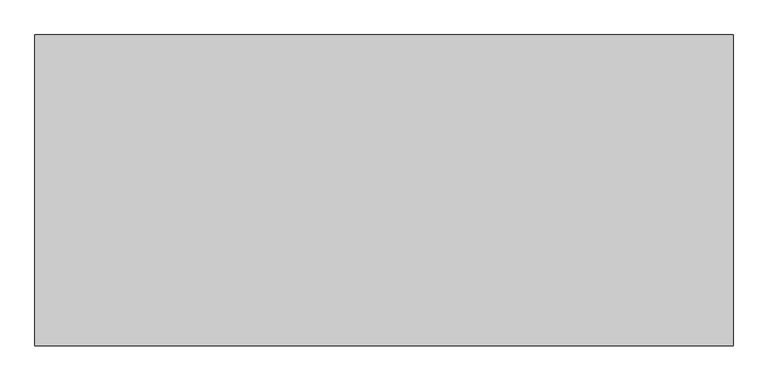
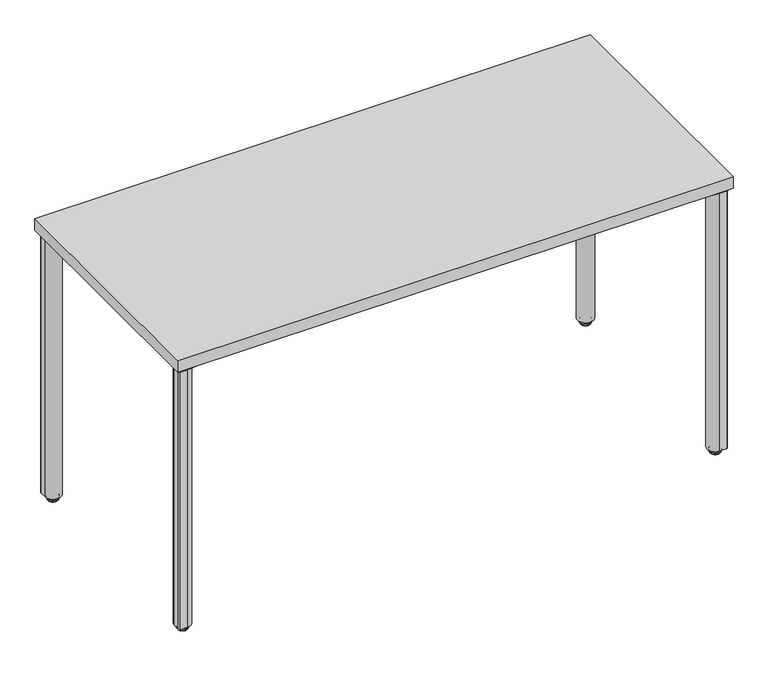
"""IFC4 building model written with IfcOpenShell, lengths in millimetres: furniture geometry."""

import ifcopenshell
import ifcopenshell.guid

model = None  # the IFC model being written
_history = None  # IfcOwnerHistory: only IFC2X3 demands one
_inside = {}  # id of a spatial element -> (the spatial element, [elements in it])
_under = {}  # id of a project, library or spatial element -> (it, [spatial elements below it])
_declared = {}  # id of a project -> (the project, [libraries it declares])
_typed = {}  # id of a type object -> (the type object, [elements of that type])
_made_of = {}  # id of a material, layer set ... -> (it, [elements and type objects made of it])


def new_model(schema):
    """Start an empty IFC model of exactly this schema.

    Asked for "IFC4X3", IfcOpenShell would pick the latest addendum, in which some entities
    have other attributes; the version numbers below select the first issue.
    IFC2X3 requires an IfcOwnerHistory on every rooted entity: one is made here for all.
    """
    global model, _history
    if schema == "IFC4X3":
        model = ifcopenshell.file(schema_version=(4, 3, 0, 0))
    else:
        model = ifcopenshell.file(schema=schema)
    _inside.clear()
    _under.clear()
    _declared.clear()
    _typed.clear()
    _made_of.clear()
    _history = None
    if model.schema == "IFC2X3":
        org = make("IfcOrganization", Name="unknown")
        user = make(
            "IfcPersonAndOrganization",
            ThePerson=make("IfcPerson", FamilyName="unknown"),
            TheOrganization=org,
        )
        app = make(
            "IfcApplication",
            ApplicationDeveloper=org,
            Version="unknown",
            ApplicationFullName="unknown",
            ApplicationIdentifier="unknown",
        )
        _history = make(
            "IfcOwnerHistory",
            OwningUser=user,
            OwningApplication=app,
            ChangeAction="ADDED",
            CreationDate=0,
        )
    return model


def make(cls, **values):
    """One entity of the class cls with the attributes given. An attribute that is None is left unset."""
    return model.create_entity(
        cls, **{name: value for name, value in values.items() if value is not None}
    )


def rooted(cls, **values):
    """An entity with a GlobalId (a new one), such as an element, a storey or a relation."""
    return make(cls, GlobalId=ifcopenshell.guid.new(), OwnerHistory=_history, **values)


def si_unit(unit_type, name, prefix=None):
    """IfcSIUnit, for example si_unit("LENGTHUNIT", "METRE", prefix="MILLI")."""
    return make("IfcSIUnit", UnitType=unit_type, Prefix=prefix, Name=name)


def assignment(units):
    """IfcUnitAssignment: the units of a project."""
    return None if units is None else make("IfcUnitAssignment", Units=units)


def point(xyz):
    """IfcCartesianPoint."""
    return None if xyz is None else make("IfcCartesianPoint", Coordinates=xyz)


def direction(xyz):
    """IfcDirection."""
    return None if xyz is None else make("IfcDirection", DirectionRatios=xyz)


def frame(location, z_axis=None, x_axis=None):
    """IfcAxis2Placement3D, a coordinate frame: its origin and axes. An axis left out is left unset."""
    return make(
        "IfcAxis2Placement3D",
        Location=point(location),
        Axis=direction(z_axis),
        RefDirection=direction(x_axis),
    )


def frame_2d(location, x_axis=None):
    """IfcAxis2Placement2D, a coordinate frame in the plane: its origin and x axis."""
    return make(
        "IfcAxis2Placement2D", Location=point(location), RefDirection=direction(x_axis)
    )


def origin():
    """The frame at (0, 0, 0) with its axes left unset."""
    return frame((0.0, 0.0, 0.0))


def place(relative_to, where):
    """IfcLocalPlacement: puts the frame where relative to a parent placement (None: the world)."""
    return make(
        "IfcLocalPlacement", PlacementRelTo=relative_to, RelativePlacement=where
    )


def context(
    kind, dimensions, precision=None, world=None, true_north=None, identifier=None
):
    """IfcGeometricRepresentationContext, for example the 3D "Model" context."""
    return make(
        "IfcGeometricRepresentationContext",
        ContextIdentifier=identifier,
        ContextType=kind,
        CoordinateSpaceDimension=dimensions,
        Precision=precision,
        WorldCoordinateSystem=world,
        TrueNorth=true_north,
    )


def project(units=None, contexts=None):
    """IfcProject with its units and contexts."""
    return rooted(
        "IfcProject",
        Name="project",
        RepresentationContexts=contexts,
        UnitsInContext=assignment(units),
    )


def spatial(cls, under=None, at=None, **own):
    """A site, building, storey or space (cls), placed at a placement, below another one or the project."""
    s = rooted(cls, ObjectPlacement=at, **own)
    if under is not None:
        _under.setdefault(under.id(), (under, []))[1].append(s)
    return s


def polyline(points):
    """IfcPolyline through the points."""
    return make("IfcPolyline", Points=[point(p) for p in points])


def circle_curve(where, radius):
    """IfcCircle in the frame where."""
    return make("IfcCircle", Position=where, Radius=radius)


def ellipse_curve(where, semi_axis1, semi_axis2):
    """IfcEllipse in the frame where."""
    return make(
        "IfcEllipse", Position=where, SemiAxis1=semi_axis1, SemiAxis2=semi_axis2
    )


def trimmed(basis, trim1, trim2, sense, master):
    """IfcTrimmedCurve: the piece of a basis curve between two trims."""
    return make(
        "IfcTrimmedCurve",
        BasisCurve=basis,
        Trim1=trim1,
        Trim2=trim2,
        SenseAgreement=sense,
        MasterRepresentation=master,
    )


def segment(curve, same_sense, transition):
    """IfcCompositeCurveSegment."""
    return make(
        "IfcCompositeCurveSegment",
        Transition=transition,
        SameSense=same_sense,
        ParentCurve=curve,
    )


def composite_curve(segments, self_intersect=None):
    """IfcCompositeCurve: segments joined end to end."""
    return make("IfcCompositeCurve", Segments=segments, SelfIntersect=self_intersect)


def outline(outer, holes=None, kind="AREA"):
    """IfcArbitraryClosedProfileDef: a profile drawn as a closed curve; with holes, ...WithVoids."""
    if holes is None:
        return make("IfcArbitraryClosedProfileDef", ProfileType=kind, OuterCurve=outer)
    return make(
        "IfcArbitraryProfileDefWithVoids",
        ProfileType=kind,
        OuterCurve=outer,
        InnerCurves=holes,
    )


def extrude(swept, where, along, depth):
    """IfcExtrudedAreaSolid: the profile swept, set in the frame where, extruded along a direction by depth."""
    return make(
        "IfcExtrudedAreaSolid",
        SweptArea=swept,
        Position=where,
        ExtrudedDirection=direction(along),
        Depth=depth,
    )


def shape(context_of_items, identifier, shape_type, items):
    """IfcShapeRepresentation: the items that make up one representation, for example the "Body"."""
    return make(
        "IfcShapeRepresentation",
        ContextOfItems=context_of_items,
        RepresentationIdentifier=identifier,
        RepresentationType=shape_type,
        Items=items,
    )


def source(mapping_origin, context_of_items, identifier, shape_type, items):
    """IfcRepresentationMap: a shape defined once, which mapped items show again and again."""
    return make(
        "IfcRepresentationMap",
        MappingOrigin=mapping_origin,
        MappedRepresentation=shape(context_of_items, identifier, shape_type, items),
    )


def transform(
    local_origin,
    x_axis=None,
    y_axis=None,
    z_axis=None,
    scale=None,
    scale2=None,
    scale3=None,
    uniform=True,
):
    """IfcCartesianTransformationOperator3D, or its non-uniform kind. x_axis, y_axis, z_axis: its Axis1, 2, 3."""
    if uniform:
        return make(
            "IfcCartesianTransformationOperator3D",
            Axis1=direction(x_axis),
            Axis2=direction(y_axis),
            LocalOrigin=point(local_origin),
            Scale=scale,
            Axis3=direction(z_axis),
        )
    return make(
        "IfcCartesianTransformationOperator3DnonUniform",
        Axis1=direction(x_axis),
        Axis2=direction(y_axis),
        LocalOrigin=point(local_origin),
        Scale=scale,
        Axis3=direction(z_axis),
        Scale2=scale2,
        Scale3=scale3,
    )


def mapped(mapping_source, mapping_target):
    """IfcMappedItem: shows the shape of a source again, moved by a transform."""
    return make(
        "IfcMappedItem", MappingSource=mapping_source, MappingTarget=mapping_target
    )


def made_of(thing, what):
    """Note that an element or type object is made of a material, layer set ...; save() writes the relation."""
    if what is not None:
        _made_of.setdefault(what.id(), (what, []))[1].append(thing)
    return thing


def element(
    cls,
    number,
    at=None,
    inside=None,
    cuts=None,
    type_object=None,
    material=None,
    context=None,
    identifier="Body",
    shape_type=None,
    held_by="IfcProductDefinitionShape",
    body=None,
    shapes=None,
    **own,
):
    """One element of the class cls, such as IfcWall. Its Tag is "e" and its number.

    at: its placement. inside: the storey or other place that contains it. cuts: it is an
    opening in that element (IfcRelVoidsElement). A single representation is given by context,
    identifier, shape_type and body (its items); several are given by shapes. held_by: the class
    of the entity that holds the representations. save() writes the other relations.
    """
    e = rooted(cls, Tag="e%d" % number, ObjectPlacement=at, **own)
    if body is not None:
        shapes = [shape(context, identifier, shape_type, body)]
    if shapes is not None:
        e.Representation = make(held_by, Representations=shapes)
    if inside is not None:
        _inside.setdefault(inside.id(), (inside, []))[1].append(e)
    if cuts is not None:
        rooted(
            "IfcRelVoidsElement", RelatingBuildingElement=cuts, RelatedOpeningElement=e
        )
    if type_object is not None:
        _typed.setdefault(type_object.id(), (type_object, []))[1].append(e)
    return made_of(e, material)


def aggregate(whole, parts):
    """IfcRelAggregates: a whole, such as a stair, and the parts it consists of."""
    return rooted("IfcRelAggregates", RelatingObject=whole, RelatedObjects=parts)


def save(model, path):
    """Write the relations noted so far, then the file.

    IfcRelAggregates (storeys below a building ...), IfcRelContainedInSpatialStructure (elements
    in a storey), IfcRelDefinesByType, IfcRelAssociatesMaterial and IfcRelDeclares: one each for
    every whole, place, type object, material and project.
    """
    for whole, parts in _under.values():
        aggregate(whole, parts)
    for where, things in _inside.values():
        rooted(
            "IfcRelContainedInSpatialStructure",
            RelatedElements=things,
            RelatingStructure=where,
        )
    for kind, things in _typed.values():
        rooted("IfcRelDefinesByType", RelatedObjects=things, RelatingType=kind)
    for what, things in _made_of.values():
        rooted("IfcRelAssociatesMaterial", RelatedObjects=things, RelatingMaterial=what)
    for by, libraries in _declared.values():
        rooted("IfcRelDeclares", RelatingContext=by, RelatedDefinitions=libraries)
    model.write(path)


def plane_surface(at):
    """IfcPlane: the flat surface through the origin of the frame at, square to its z axis."""
    return make("IfcPlane", Position=at)


def cylinder_surface(at, radius):
    """IfcCylindricalSurface: all points at the distance radius from the z axis of the frame at."""
    return make("IfcCylindricalSurface", Position=at, Radius=radius)


def revolved_surface(curve, axis_point, axis_direction):
    """IfcSurfaceOfRevolution: the curve turned about the line through axis_point along axis_direction."""
    return make(
        "IfcSurfaceOfRevolution",
        SweptCurve=make("IfcArbitraryOpenProfileDef", ProfileType="CURVE", Curve=curve),
        AxisPosition=make("IfcAxis1Placement", Location=point(axis_point), Axis=direction(axis_direction)),
    )


def advanced_brep(points, edges, surfaces, faces):
    """IfcAdvancedBrep: a solid bounded by faces that lie on surfaces and meet in shared edges.

    An edge is (start, end): straight between two places in points (the first is 0);
    or (start, end, curve); or (start, end, curve, False) where it runs against its curve.
    A face is (place in surfaces, loops), or (place, loops, False) where it looks against
    its surface's normal. A loop lists edges by number (the first is 1), with a minus sign
    where the edge is run from its end to its start. The first loop is the outer one.
    """
    corners = [point(p) for p in points]
    vertices = [make("IfcVertexPoint", VertexGeometry=c) for c in corners]
    made = []
    for start, end, *more in edges:
        made.append(
            make(
                "IfcEdgeCurve",
                EdgeStart=vertices[start],
                EdgeEnd=vertices[end],
                EdgeGeometry=more[0] if more else make("IfcPolyline", Points=[corners[start], corners[end]]),
                SameSense=more[1] if len(more) > 1 else True,
            )
        )
    hull = []
    for where, loops, *sense in faces:
        bounds = []
        for j, loop in enumerate(loops):
            ring = [make("IfcOrientedEdge", EdgeElement=made[abs(k) - 1], Orientation=k > 0) for k in loop]
            bounds.append(
                make(
                    "IfcFaceOuterBound" if j == 0 else "IfcFaceBound",
                    Bound=make("IfcEdgeLoop", EdgeList=ring),
                    Orientation=True,
                )
            )
        hull.append(make("IfcAdvancedFace", Bounds=bounds, FaceSurface=surfaces[where], SameSense=sense[0] if sense else True))
    return make("IfcAdvancedBrep", Outer=make("IfcClosedShell", CfsFaces=hull))


def furniture_f7208d2c(model_context):
    return source(origin(), model_context, "Body", "SolidModel", [
        extrude(outline(composite_curve([segment(polyline([(1339.5282419, -602.3591905), (1264.1488309, -595.7643464)]), True, "CONTINUOUS"), segment(trimmed(circle_curve(frame_2d((1266.3277263, -570.8594586)), 25.0000204), [point((1264.1488309, -595.7643464))], [point((1248.6500399, -588.5371401))], False, "CARTESIAN"), True, "CONTINUOUS"), segment(polyline([(1248.6500399, -588.5371401), (1232.6744349, -572.5615305)]), True, "CONTINUOUS"), segment(trimmed(circle_curve(frame_2d((1250.3520997, -554.8838707)), 24.9999898), [point((1232.6744349, -572.5615305))], [point((1225.4472426, -557.0627657))], False, "CARTESIAN"), True, "CONTINUOUS"), segment(polyline([(1225.4472426, -557.0627657), (1218.9313511, -482.5858634)]), True, "CONTINUOUS"), segment(trimmed(circle_curve(frame_2d((1241.4108747, -482.5858634)), 22.4795236), [point((1218.9313511, -482.5858634))], [point((1241.4108747, -460.1063398))], False, "CARTESIAN"), True, "CONTINUOUS"), segment(polyline([(1241.4108747, -460.1063398), (1315.8877788, -466.6222314)]), True, "CONTINUOUS"), segment(trimmed(circle_curve(frame_2d((1313.7088843, -491.5270836)), 24.9999849), [point((1315.8877788, -466.6222314))], [point((1331.3865419, -473.8494235))], False, "CARTESIAN"), True, "CONTINUOUS"), segment(polyline([(1331.3865419, -473.8494235), (1347.3621588, -489.8250381)]), True, "CONTINUOUS"), segment(trimmed(circle_curve(frame_2d((1329.6844922, -507.5027072)), 24.9999976), [point((1347.3621588, -489.8250381))], [point((1354.5893573, -505.323814))], False, "CARTESIAN"), True, "CONTINUOUS"), segment(polyline([(1354.5893573, -505.323814), (1361.1842007, -580.7032242), (1361.1842007, -599.3591908)]), True, "CONTINUOUS"), segment(trimmed(circle_curve(frame_2d((1358.184201, -599.3591908)), 2.9999997), [point((1361.1842007, -599.3591908))], [point((1358.184201, -602.3591905))], False, "CARTESIAN"), True, "CONTINUOUS"), segment(polyline([(1358.184201, -602.3591905), (1339.5282419, -602.3591905)]), True, "CONTINUOUS")], self_intersect=False)), frame((0.0, 0.0, 686.384201), z_axis=(0.0, 0.0, 1.0), x_axis=(1.0, 0.0, 0.0)), (0.0, 0.0, 1.0), 7.9248),
        advanced_brep(
        [(1340.4342, -577.6130981, 14.6833482), (1340.4342, -585.6053019, 14.6833482), (1340.4342, -581.6092, 14.6833482), (1340.4342, -577.6130981, 12.9644666), (1340.4342, -585.6053019, 12.9644666), (1340.4342, -569.648784, 11.5824174), (1340.4342, -593.569616, 11.5824174), (1340.4342, -569.1277894, 2.659626), (1340.4342, -594.0906106, 2.659626), (1340.4342, -595.8548023, 6.9187598), (1340.4342, -567.3635977, 6.9187598), (1340.4342, -581.6092, 0.0), (1340.4342, -590.2922711, 0.0), (1340.4342, -572.9261289, 0.0)],
        [
            (0, 1, circle_curve(frame((1340.4342, -581.6092, 14.6833482), z_axis=(0.0, 0.0, 1.0), x_axis=(0.0, -1.0, 0.0)), 3.9961019)),
            (1, 2),
            (2, 0),
            (1, 0, circle_curve(frame((1340.4342, -581.6092, 14.6833482), z_axis=(0.0, 0.0, 1.0), x_axis=(0.0, -1.0, 0.0)), 3.9961019)),
            (3, 4, circle_curve(frame((1340.4342, -581.6092, 12.9644666), z_axis=(0.0, 0.0, 1.0), x_axis=(0.0, -1.0, 0.0)), 3.9961019)),
            (4, 1),
            (0, 3),
            (4, 3, circle_curve(frame((1340.4342, -581.6092, 12.9644666), z_axis=(0.0, 0.0, 1.0), x_axis=(0.0, -1.0, 0.0)), 3.9961019)),
            (5, 6, circle_curve(frame((1340.4342, -581.6092, 11.5824174), z_axis=(0.0, 0.0, 1.0), x_axis=(0.0, -1.0, 0.0)), 11.960416)),
            (6, 4),
            (3, 5),
            (6, 5, circle_curve(frame((1340.4342, -581.6092, 11.5824174), z_axis=(0.0, 0.0, 1.0), x_axis=(0.0, -1.0, 0.0)), 11.960416)),
            (7, 8, circle_curve(frame((1340.4342, -581.6092, 2.659626), z_axis=(0.0, 0.0, 1.0), x_axis=(0.0, -1.0, 0.0)), 12.4814106)),
            (8, 9),
            (9, 10, circle_curve(frame((1340.4342, -581.6092, 6.9187598), z_axis=(0.0, 0.0, -1.0), x_axis=(0.0, -1.0, 0.0)), 14.2456023)),
            (10, 7),
            (8, 7, circle_curve(frame((1340.4342, -581.6092, 2.659626), z_axis=(0.0, 0.0, 1.0), x_axis=(0.0, -1.0, 0.0)), 12.4814106)),
            (10, 9, circle_curve(frame((1340.4342, -581.6092, 6.9187598), z_axis=(0.0, 0.0, -1.0), x_axis=(0.0, -1.0, 0.0)), 14.2456023)),
            (11, 12),
            (12, 13, circle_curve(frame((1340.4342, -581.6092, 0.0), z_axis=(0.0, 0.0, -1.0), x_axis=(0.0, -1.0, 0.0)), 8.6830711)),
            (13, 11),
            (13, 12, circle_curve(frame((1340.4342, -581.6092, 0.0), z_axis=(0.0, 0.0, -1.0), x_axis=(0.0, -1.0, 0.0)), 8.6830711)),
            (9, 6, circle_curve(frame((1340.4342, -592.656773, 8.2434275), z_axis=(-1.0, 0.0, 0.0), x_axis=(0.0, -1.0, 0.0)), 3.4615222)),
            (5, 10, circle_curve(frame((1340.4342, -570.561627, 8.2434275), z_axis=(-1.0, 0.0, 0.0), x_axis=(0.0, 1.0, 0.0)), 3.4615222)),
            (12, 8, circle_curve(frame((1340.4342, -590.1040518, 4.3109134), z_axis=(-1.0, 0.0, 0.0), x_axis=(0.0, -1.0, 0.0)), 4.3150204)),
            (7, 13, circle_curve(frame((1340.4342, -573.1143482, 4.3109134), z_axis=(-1.0, 0.0, 0.0), x_axis=(0.0, 1.0, 0.0)), 4.3150204)),
        ],
        [
            plane_surface(frame((1340.4342, -581.6092, 14.6833482), z_axis=(0.0, 0.0, 1.0), x_axis=(0.0, -1.0, 0.0))),
            cylinder_surface(frame((1340.4342, -581.6092, 2438.4), z_axis=(0.0, 0.0, -1.0), x_axis=(0.0, -1.0, 0.0)), 3.9961019),
            revolved_surface(polyline([(1340.4342, -585.6053019, 12.9644666), (1340.4342, -593.569616, 11.5824174)]), (1340.4342, -581.6092, 2438.4), (0.0, 0.0, -1.0)),
            revolved_surface(polyline([(1340.4342, -595.8548023, 6.9187598), (1340.4342, -594.0906106, 2.659626)]), (1340.4342, -581.6092, 2438.4), (0.0, 0.0, -1.0)),
            plane_surface(frame((1340.4342, -581.6092, 0.0), z_axis=(0.0, 0.0, -1.0), x_axis=(0.0, -1.0, 0.0))),
            revolved_surface(trimmed(ellipse_curve(frame((1340.4342, -592.656773, 8.2434275), z_axis=(1.0, 0.0, 0.0), x_axis=(0.0, -1.0, 0.0)), 3.4615222, 3.4615222), [point((1340.4342, -593.569616, 11.5824174))], [point((1340.4342, -595.8548023, 6.9187598))], True, "CARTESIAN"), (1340.4342, -581.6092, 2438.4), (0.0, 0.0, -1.0)),
            revolved_surface(trimmed(ellipse_curve(frame((1340.4342, -590.1040518, 4.3109134), z_axis=(1.0, 0.0, 0.0), x_axis=(0.0, -1.0, 0.0)), 4.3150204, 4.3150204), [point((1340.4342, -594.0906106, 2.659626))], [point((1340.4342, -590.2922711, 0.0))], True, "CARTESIAN"), (1340.4342, -581.6092, 2438.4), (0.0, 0.0, -1.0)),
        ],
        [
            (0, [[1, 2, 3]]),
            (0, [[4, -3, -2]]),
            (1, [[5, 6, -1, 7]]),
            (1, [[8, -7, -4, -6]]),
            (2, [[9, 10, -5, 11]]),
            (2, [[12, -11, -8, -10]]),
            (3, [[13, 14, 15, 16]]),
            (3, [[17, -16, 18, -14]]),
            (4, [[19, 20, 21]]),
            (4, [[-21, 22, -19]]),
            (5, [[-15, 23, -9, 24]]),
            (5, [[-18, -24, -12, -23]]),
            (6, [[-20, 25, -13, 26]]),
            (6, [[-22, -26, -17, -25]]),
        ],
    ),
        extrude(outline(composite_curve([segment(trimmed(circle_curve(frame_2d((1340.4389509, -581.6139401)), 19.9952502), [point((1340.4389509, -601.6091903))], [point((1360.4342011, -581.6139401))], False, "CARTESIAN"), True, "CONTINUOUS"), segment(polyline([(1360.4342011, -581.6139401), (1360.4342011, -598.6089752)]), True, "CONTINUOUS"), segment(trimmed(circle_curve(frame_2d((1357.433986, -598.6089752)), 3.000215), [point((1360.4342011, -598.6089752))], [point((1357.433986, -601.6091903))], False, "CARTESIAN"), True, "CONTINUOUS"), segment(polyline([(1357.433986, -601.6091903), (1340.4389509, -601.6091903)]), True, "CONTINUOUS")], self_intersect=False)), frame((0.0, 0.0, 14.6833482), z_axis=(0.0, 0.0, 1.0), x_axis=(1.0, 0.0, 0.0)), (0.0, 0.0, 1.0), 671.7008528),
        extrude(outline(composite_curve([segment(polyline([(28.8967581, -602.3591905), (10.240799, -602.3591905)]), True, "CONTINUOUS"), segment(trimmed(circle_curve(frame_2d((10.240799, -599.3591908)), 2.9999997), [point((10.240799, -602.3591905))], [point((7.2407993, -599.3591908))], False, "CARTESIAN"), True, "CONTINUOUS"), segment(polyline([(7.2407993, -599.3591908), (7.2407993, -580.7032242), (13.8356427, -505.323814)]), True, "CONTINUOUS"), segment(trimmed(circle_curve(frame_2d((38.7405078, -507.5027072)), 24.9999976), [point((13.8356427, -505.323814))], [point((21.0628412, -489.8250381))], False, "CARTESIAN"), True, "CONTINUOUS"), segment(polyline([(21.0628412, -489.8250381), (37.0384581, -473.8494235)]), True, "CONTINUOUS"), segment(trimmed(circle_curve(frame_2d((54.7161157, -491.5270836)), 24.9999849), [point((37.0384581, -473.8494235))], [point((52.5372212, -466.6222314))], False, "CARTESIAN"), True, "CONTINUOUS"), segment(polyline([(52.5372212, -466.6222314), (127.0141253, -460.1063398)]), True, "CONTINUOUS"), segment(trimmed(circle_curve(frame_2d((127.0141253, -482.5858634)), 22.4795236), [point((127.0141253, -460.1063398))], [point((149.4936489, -482.5858634))], False, "CARTESIAN"), True, "CONTINUOUS"), segment(polyline([(149.4936489, -482.5858634), (142.9777574, -557.0627657)]), True, "CONTINUOUS"), segment(trimmed(circle_curve(frame_2d((118.0729003, -554.8838707)), 24.9999898), [point((142.9777574, -557.0627657))], [point((135.7505651, -572.5615305))], False, "CARTESIAN"), True, "CONTINUOUS"), segment(polyline([(135.7505651, -572.5615305), (119.7749601, -588.5371401)]), True, "CONTINUOUS"), segment(trimmed(circle_curve(frame_2d((102.0972737, -570.8594586)), 25.0000204), [point((119.7749601, -588.5371401))], [point((104.2761691, -595.7643464))], False, "CARTESIAN"), True, "CONTINUOUS"), segment(polyline([(104.2761691, -595.7643464), (28.8967581, -602.3591905)]), True, "CONTINUOUS")], self_intersect=False)), frame((0.0, 0.0, 686.384201), z_axis=(0.0, 0.0, 1.0), x_axis=(1.0, 0.0, 0.0)), (0.0, 0.0, 1.0), 7.9248),
        advanced_brep(
        [(27.9908, -577.6130981, 14.6833482), (27.9908, -581.6092, 14.6833482), (27.9908, -585.6053019, 14.6833482), (27.9908, -577.6130981, 12.9644666), (27.9908, -585.6053019, 12.9644666), (27.9908, -569.648784, 11.5824174), (27.9908, -593.569616, 11.5824174), (27.9908, -569.1277894, 2.659626), (27.9908, -567.3635977, 6.9187598), (27.9908, -595.8548023, 6.9187598), (27.9908, -594.0906106, 2.659626), (27.9908, -581.6092, 0.0), (27.9908, -572.9261289, 0.0), (27.9908, -590.2922711, 0.0)],
        [
            (0, 1),
            (1, 2),
            (2, 0, circle_curve(frame((27.9908, -581.6092, 14.6833482), z_axis=(0.0, 0.0, 1.0), x_axis=(0.0, -1.0, 0.0)), 3.9961019)),
            (0, 2, circle_curve(frame((27.9908, -581.6092, 14.6833482), z_axis=(0.0, 0.0, 1.0), x_axis=(0.0, -1.0, 0.0)), 3.9961019)),
            (3, 0),
            (2, 4),
            (4, 3, circle_curve(frame((27.9908, -581.6092, 12.9644666), z_axis=(0.0, 0.0, 1.0), x_axis=(0.0, -1.0, 0.0)), 3.9961019)),
            (3, 4, circle_curve(frame((27.9908, -581.6092, 12.9644666), z_axis=(0.0, 0.0, 1.0), x_axis=(0.0, -1.0, 0.0)), 3.9961019)),
            (5, 3),
            (4, 6),
            (6, 5, circle_curve(frame((27.9908, -581.6092, 11.5824174), z_axis=(0.0, 0.0, 1.0), x_axis=(0.0, -1.0, 0.0)), 11.960416)),
            (5, 6, circle_curve(frame((27.9908, -581.6092, 11.5824174), z_axis=(0.0, 0.0, 1.0), x_axis=(0.0, -1.0, 0.0)), 11.960416)),
            (7, 8),
            (8, 9, circle_curve(frame((27.9908, -581.6092, 6.9187598), z_axis=(0.0, 0.0, -1.0), x_axis=(0.0, -1.0, 0.0)), 14.2456023)),
            (9, 10),
            (10, 7, circle_curve(frame((27.9908, -581.6092, 2.659626), z_axis=(0.0, 0.0, 1.0), x_axis=(0.0, -1.0, 0.0)), 12.4814106)),
            (9, 8, circle_curve(frame((27.9908, -581.6092, 6.9187598), z_axis=(0.0, 0.0, -1.0), x_axis=(0.0, -1.0, 0.0)), 14.2456023)),
            (7, 10, circle_curve(frame((27.9908, -581.6092, 2.659626), z_axis=(0.0, 0.0, 1.0), x_axis=(0.0, -1.0, 0.0)), 12.4814106)),
            (11, 12),
            (12, 13, circle_curve(frame((27.9908, -581.6092, 0.0), z_axis=(0.0, 0.0, -1.0), x_axis=(0.0, -1.0, 0.0)), 8.6830711)),
            (13, 11),
            (13, 12, circle_curve(frame((27.9908, -581.6092, 0.0), z_axis=(0.0, 0.0, -1.0), x_axis=(0.0, -1.0, 0.0)), 8.6830711)),
            (8, 5, circle_curve(frame((27.9908, -570.561627, 8.2434275), z_axis=(1.0, 0.0, 0.0), x_axis=(0.0, 1.0, 0.0)), 3.4615222)),
            (6, 9, circle_curve(frame((27.9908, -592.656773, 8.2434275), z_axis=(1.0, 0.0, 0.0), x_axis=(0.0, -1.0, 0.0)), 3.4615222)),
            (12, 7, circle_curve(frame((27.9908, -573.1143482, 4.3109134), z_axis=(1.0, 0.0, 0.0), x_axis=(0.0, 1.0, 0.0)), 4.3150204)),
            (10, 13, circle_curve(frame((27.9908, -590.1040518, 4.3109134), z_axis=(1.0, 0.0, 0.0), x_axis=(0.0, -1.0, 0.0)), 4.3150204)),
        ],
        [
            plane_surface(frame((27.9908, -581.6092, 14.6833482), z_axis=(0.0, 0.0, 1.0), x_axis=(0.0, -1.0, 0.0))),
            cylinder_surface(frame((27.9908, -581.6092, 2438.4), z_axis=(0.0, 0.0, -1.0), x_axis=(0.0, -1.0, 0.0)), 3.9961019),
            revolved_surface(polyline([(27.9908, -585.6053019, 12.9644666), (27.9908, -593.569616, 11.5824174)]), (27.9908, -581.6092, 2438.4), (0.0, 0.0, -1.0)),
            revolved_surface(polyline([(27.9908, -595.8548023, 6.9187598), (27.9908, -594.0906106, 2.659626)]), (27.9908, -581.6092, 2438.4), (0.0, 0.0, -1.0)),
            plane_surface(frame((27.9908, -581.6092, 0.0), z_axis=(0.0, 0.0, -1.0), x_axis=(0.0, -1.0, 0.0))),
            revolved_surface(trimmed(ellipse_curve(frame((27.9908, -592.656773, 8.2434275), z_axis=(1.0, 0.0, 0.0), x_axis=(0.0, -1.0, 0.0)), 3.4615222, 3.4615222), [point((27.9908, -593.569616, 11.5824174))], [point((27.9908, -595.8548023, 6.9187598))], True, "CARTESIAN"), (27.9908, -581.6092, 2438.4), (0.0, 0.0, -1.0)),
            revolved_surface(trimmed(ellipse_curve(frame((27.9908, -590.1040518, 4.3109134), z_axis=(1.0, 0.0, 0.0), x_axis=(0.0, -1.0, 0.0)), 4.3150204, 4.3150204), [point((27.9908, -594.0906106, 2.659626))], [point((27.9908, -590.2922711, 0.0))], True, "CARTESIAN"), (27.9908, -581.6092, 2438.4), (0.0, 0.0, -1.0)),
        ],
        [
            (0, [[1, 2, 3]]),
            (0, [[-2, -1, 4]]),
            (1, [[5, -3, 6, 7]]),
            (1, [[-6, -4, -5, 8]]),
            (2, [[9, -7, 10, 11]]),
            (2, [[-10, -8, -9, 12]]),
            (3, [[13, 14, 15, 16]]),
            (3, [[-15, 17, -13, 18]]),
            (4, [[19, 20, 21]]),
            (4, [[-21, 22, -19]]),
            (5, [[23, -11, 24, -14]]),
            (5, [[-24, -12, -23, -17]]),
            (6, [[25, -16, 26, -20]]),
            (6, [[-26, -18, -25, -22]]),
        ],
    ),
        extrude(outline(composite_curve([segment(polyline([(27.9860491, -601.6091903), (10.991014, -601.6091903)]), True, "CONTINUOUS"), segment(trimmed(circle_curve(frame_2d((10.991014, -598.6089752)), 3.000215), [point((10.991014, -601.6091903))], [point((7.9907989, -598.6089752))], False, "CARTESIAN"), True, "CONTINUOUS"), segment(polyline([(7.9907989, -598.6089752), (7.9907989, -581.6139401)]), True, "CONTINUOUS"), segment(trimmed(circle_curve(frame_2d((27.9860491, -581.6139401)), 19.9952502), [point((7.9907989, -581.6139401))], [point((27.9860491, -601.6091903))], False, "CARTESIAN"), True, "CONTINUOUS")], self_intersect=False)), frame((0.0, 0.0, 14.6833482), z_axis=(0.0, 0.0, 1.0), x_axis=(1.0, 0.0, 0.0)), (0.0, 0.0, 1.0), 671.7008528),
        extrude(outline(composite_curve([segment(polyline([(1339.5282419, -7.2408095), (1358.184201, -7.2408095)]), True, "CONTINUOUS"), segment(trimmed(circle_curve(frame_2d((1358.184201, -10.2408092)), 2.9999997), [point((1358.184201, -7.2408095))], [point((1361.1842007, -10.2408092))], False, "CARTESIAN"), True, "CONTINUOUS"), segment(polyline([(1361.1842007, -10.2408092), (1361.1842007, -28.8967758), (1354.5893573, -104.276186)]), True, "CONTINUOUS"), segment(trimmed(circle_curve(frame_2d((1329.6844922, -102.0972928)), 24.9999976), [point((1354.5893573, -104.276186))], [point((1347.3621588, -119.7749619))], False, "CARTESIAN"), True, "CONTINUOUS"), segment(polyline([(1347.3621588, -119.7749619), (1331.3865419, -135.7505765)]), True, "CONTINUOUS"), segment(trimmed(circle_curve(frame_2d((1313.7088843, -118.0729164)), 24.9999849), [point((1331.3865419, -135.7505765))], [point((1315.8877788, -142.9777686))], False, "CARTESIAN"), True, "CONTINUOUS"), segment(polyline([(1315.8877788, -142.9777686), (1241.4108747, -149.4936602)]), True, "CONTINUOUS"), segment(trimmed(circle_curve(frame_2d((1241.4108747, -127.0141366)), 22.4795236), [point((1241.4108747, -149.4936602))], [point((1218.9313511, -127.0141366))], False, "CARTESIAN"), True, "CONTINUOUS"), segment(polyline([(1218.9313511, -127.0141366), (1225.4472426, -52.5372343)]), True, "CONTINUOUS"), segment(trimmed(circle_curve(frame_2d((1250.3520997, -54.7161293)), 24.9999898), [point((1225.4472426, -52.5372343))], [point((1232.6744349, -37.0384695))], False, "CARTESIAN"), True, "CONTINUOUS"), segment(polyline([(1232.6744349, -37.0384695), (1248.6500399, -21.0628599)]), True, "CONTINUOUS"), segment(trimmed(circle_curve(frame_2d((1266.3277263, -38.7405414)), 25.0000204), [point((1248.6500399, -21.0628599))], [point((1264.1488309, -13.8356536))], False, "CARTESIAN"), True, "CONTINUOUS"), segment(polyline([(1264.1488309, -13.8356536), (1339.5282419, -7.2408095)]), True, "CONTINUOUS")], self_intersect=False)), frame((0.0, 0.0, 686.384201), z_axis=(0.0, 0.0, 1.0), x_axis=(1.0, 0.0, 0.0)), (0.0, 0.0, 1.0), 7.9248),
        advanced_brep(
        [(1340.4342, -31.9869019, 14.6833482), (1340.4342, -27.9908, 14.6833482), (1340.4342, -23.9946981, 14.6833482), (1340.4342, -31.9869019, 12.9644666), (1340.4342, -23.9946981, 12.9644666), (1340.4342, -39.951216, 11.5824174), (1340.4342, -16.030384, 11.5824174), (1340.4342, -40.4722106, 2.659626), (1340.4342, -42.2364023, 6.9187598), (1340.4342, -13.7451977, 6.9187598), (1340.4342, -15.5093894, 2.659626), (1340.4342, -27.9908, 0.0), (1340.4342, -36.6738711, 0.0), (1340.4342, -19.3077289, 0.0)],
        [
            (0, 1),
            (1, 2),
            (2, 0, circle_curve(frame((1340.4342, -27.9908, 14.6833482), z_axis=(0.0, 0.0, 1.0), x_axis=(0.0, 1.0, 0.0)), 3.9961019)),
            (0, 2, circle_curve(frame((1340.4342, -27.9908, 14.6833482), z_axis=(0.0, 0.0, 1.0), x_axis=(0.0, 1.0, 0.0)), 3.9961019)),
            (3, 0),
            (2, 4),
            (4, 3, circle_curve(frame((1340.4342, -27.9908, 12.9644666), z_axis=(0.0, 0.0, 1.0), x_axis=(0.0, 1.0, 0.0)), 3.9961019)),
            (3, 4, circle_curve(frame((1340.4342, -27.9908, 12.9644666), z_axis=(0.0, 0.0, 1.0), x_axis=(0.0, 1.0, 0.0)), 3.9961019)),
            (5, 3),
            (4, 6),
            (6, 5, circle_curve(frame((1340.4342, -27.9908, 11.5824174), z_axis=(0.0, 0.0, 1.0), x_axis=(0.0, 1.0, 0.0)), 11.960416)),
            (5, 6, circle_curve(frame((1340.4342, -27.9908, 11.5824174), z_axis=(0.0, 0.0, 1.0), x_axis=(0.0, 1.0, 0.0)), 11.960416)),
            (7, 8),
            (8, 9, circle_curve(frame((1340.4342, -27.9908, 6.9187598), z_axis=(0.0, 0.0, -1.0), x_axis=(0.0, 1.0, 0.0)), 14.2456023)),
            (9, 10),
            (10, 7, circle_curve(frame((1340.4342, -27.9908, 2.659626), z_axis=(0.0, 0.0, 1.0), x_axis=(0.0, 1.0, 0.0)), 12.4814106)),
            (9, 8, circle_curve(frame((1340.4342, -27.9908, 6.9187598), z_axis=(0.0, 0.0, -1.0), x_axis=(0.0, 1.0, 0.0)), 14.2456023)),
            (7, 10, circle_curve(frame((1340.4342, -27.9908, 2.659626), z_axis=(0.0, 0.0, 1.0), x_axis=(0.0, 1.0, 0.0)), 12.4814106)),
            (11, 12),
            (12, 13, circle_curve(frame((1340.4342, -27.9908, 0.0), z_axis=(0.0, 0.0, -1.0), x_axis=(0.0, 1.0, 0.0)), 8.6830711)),
            (13, 11),
            (13, 12, circle_curve(frame((1340.4342, -27.9908, 0.0), z_axis=(0.0, 0.0, -1.0), x_axis=(0.0, 1.0, 0.0)), 8.6830711)),
            (8, 5, circle_curve(frame((1340.4342, -39.038373, 8.2434275), z_axis=(-1.0, 0.0, 0.0), x_axis=(0.0, -1.0, 0.0)), 3.4615222)),
            (6, 9, circle_curve(frame((1340.4342, -16.943227, 8.2434275), z_axis=(-1.0, 0.0, 0.0), x_axis=(0.0, 1.0, 0.0)), 3.4615222)),
            (12, 7, circle_curve(frame((1340.4342, -36.4856518, 4.3109134), z_axis=(-1.0, 0.0, 0.0), x_axis=(0.0, -1.0, 0.0)), 4.3150204)),
            (10, 13, circle_curve(frame((1340.4342, -19.4959482, 4.3109134), z_axis=(-1.0, 0.0, 0.0), x_axis=(0.0, 1.0, 0.0)), 4.3150204)),
        ],
        [
            plane_surface(frame((1340.4342, -27.9908, 14.6833482), z_axis=(0.0, 0.0, 1.0), x_axis=(0.0, 1.0, 0.0))),
            cylinder_surface(frame((1340.4342, -27.9908, 2438.4), z_axis=(0.0, 0.0, -1.0), x_axis=(0.0, 1.0, 0.0)), 3.9961019),
            revolved_surface(polyline([(1340.4342, -23.9946981, 12.9644666), (1340.4342, -16.030384, 11.5824174)]), (1340.4342, -27.9908, 2438.4), (0.0, 0.0, -1.0)),
            revolved_surface(polyline([(1340.4342, -13.7451977, 6.9187598), (1340.4342, -15.5093894, 2.659626)]), (1340.4342, -27.9908, 2438.4), (0.0, 0.0, -1.0)),
            plane_surface(frame((1340.4342, -27.9908, 0.0), z_axis=(0.0, 0.0, -1.0), x_axis=(0.0, 1.0, 0.0))),
            revolved_surface(trimmed(ellipse_curve(frame((1340.4342, -16.943227, 8.2434275), z_axis=(-1.0, 0.0, 0.0), x_axis=(0.0, 1.0, 0.0)), 3.4615222, 3.4615222), [point((1340.4342, -16.030384, 11.5824174))], [point((1340.4342, -13.7451977, 6.9187598))], True, "CARTESIAN"), (1340.4342, -27.9908, 2438.4), (0.0, 0.0, -1.0)),
            revolved_surface(trimmed(ellipse_curve(frame((1340.4342, -19.4959482, 4.3109134), z_axis=(-1.0, 0.0, 0.0), x_axis=(0.0, 1.0, 0.0)), 4.3150204, 4.3150204), [point((1340.4342, -15.5093894, 2.659626))], [point((1340.4342, -19.3077289, 0.0))], True, "CARTESIAN"), (1340.4342, -27.9908, 2438.4), (0.0, 0.0, -1.0)),
        ],
        [
            (0, [[1, 2, 3]]),
            (0, [[-2, -1, 4]]),
            (1, [[5, -3, 6, 7]]),
            (1, [[-6, -4, -5, 8]]),
            (2, [[9, -7, 10, 11]]),
            (2, [[-10, -8, -9, 12]]),
            (3, [[13, 14, 15, 16]]),
            (3, [[-15, 17, -13, 18]]),
            (4, [[19, 20, 21]]),
            (4, [[-21, 22, -19]]),
            (5, [[23, -11, 24, -14]]),
            (5, [[-24, -12, -23, -17]]),
            (6, [[25, -16, 26, -20]]),
            (6, [[-26, -18, -25, -22]]),
        ],
    ),
        extrude(outline(composite_curve([segment(polyline([(1340.4389509, -7.9908097), (1357.433986, -7.9908097)]), True, "CONTINUOUS"), segment(trimmed(circle_curve(frame_2d((1357.433986, -10.9910248)), 3.000215), [point((1357.433986, -7.9908097))], [point((1360.4342011, -10.9910248))], False, "CARTESIAN"), True, "CONTINUOUS"), segment(polyline([(1360.4342011, -10.9910248), (1360.4342011, -27.9860599)]), True, "CONTINUOUS"), segment(trimmed(circle_curve(frame_2d((1340.4389509, -27.9860599)), 19.9952502), [point((1360.4342011, -27.9860599))], [point((1340.4389509, -7.9908097))], False, "CARTESIAN"), True, "CONTINUOUS")], self_intersect=False)), frame((0.0, 0.0, 14.6833482), z_axis=(0.0, 0.0, 1.0), x_axis=(1.0, 0.0, 0.0)), (0.0, 0.0, 1.0), 671.7008528),
        extrude(outline(composite_curve([segment(polyline([(28.8967581, -7.2408095), (104.2761691, -13.8356536)]), True, "CONTINUOUS"), segment(trimmed(circle_curve(frame_2d((102.0972737, -38.7405414)), 25.0000204), [point((104.2761691, -13.8356536))], [point((119.7749601, -21.0628599))], False, "CARTESIAN"), True, "CONTINUOUS"), segment(polyline([(119.7749601, -21.0628599), (135.7505651, -37.0384695)]), True, "CONTINUOUS"), segment(trimmed(circle_curve(frame_2d((118.0729003, -54.7161293)), 24.9999898), [point((135.7505651, -37.0384695))], [point((142.9777574, -52.5372343))], False, "CARTESIAN"), True, "CONTINUOUS"), segment(polyline([(142.9777574, -52.5372343), (149.4936489, -127.0141366)]), True, "CONTINUOUS"), segment(trimmed(circle_curve(frame_2d((127.0141253, -127.0141366)), 22.4795236), [point((149.4936489, -127.0141366))], [point((127.0141253, -149.4936602))], False, "CARTESIAN"), True, "CONTINUOUS"), segment(polyline([(127.0141253, -149.4936602), (52.5372212, -142.9777686)]), True, "CONTINUOUS"), segment(trimmed(circle_curve(frame_2d((54.7161157, -118.0729164)), 24.9999849), [point((52.5372212, -142.9777686))], [point((37.0384581, -135.7505765))], False, "CARTESIAN"), True, "CONTINUOUS"), segment(polyline([(37.0384581, -135.7505765), (21.0628412, -119.7749619)]), True, "CONTINUOUS"), segment(trimmed(circle_curve(frame_2d((38.7405078, -102.0972928)), 24.9999976), [point((21.0628412, -119.7749619))], [point((13.8356427, -104.276186))], False, "CARTESIAN"), True, "CONTINUOUS"), segment(polyline([(13.8356427, -104.276186), (7.2407993, -28.8967758), (7.2407993, -10.2408092)]), True, "CONTINUOUS"), segment(trimmed(circle_curve(frame_2d((10.240799, -10.2408092)), 2.9999997), [point((7.2407993, -10.2408092))], [point((10.240799, -7.2408095))], False, "CARTESIAN"), True, "CONTINUOUS"), segment(polyline([(10.240799, -7.2408095), (28.8967581, -7.2408095)]), True, "CONTINUOUS")], self_intersect=False)), frame((0.0, 0.0, 686.384201), z_axis=(0.0, 0.0, 1.0), x_axis=(1.0, 0.0, 0.0)), (0.0, 0.0, 1.0), 7.9248),
        advanced_brep(
        [(27.9908, -31.9869019, 14.6833482), (27.9908, -23.9946981, 14.6833482), (27.9908, -27.9908, 14.6833482), (27.9908, -31.9869019, 12.9644666), (27.9908, -23.9946981, 12.9644666), (27.9908, -39.951216, 11.5824174), (27.9908, -16.030384, 11.5824174), (27.9908, -40.4722106, 2.659626), (27.9908, -15.5093894, 2.659626), (27.9908, -13.7451977, 6.9187598), (27.9908, -42.2364023, 6.9187598), (27.9908, -27.9908, 0.0), (27.9908, -19.3077289, 0.0), (27.9908, -36.6738711, 0.0)],
        [
            (0, 1, circle_curve(frame((27.9908, -27.9908, 14.6833482), z_axis=(0.0, 0.0, 1.0), x_axis=(0.0, 1.0, 0.0)), 3.9961019)),
            (1, 2),
            (2, 0),
            (1, 0, circle_curve(frame((27.9908, -27.9908, 14.6833482), z_axis=(0.0, 0.0, 1.0), x_axis=(0.0, 1.0, 0.0)), 3.9961019)),
            (3, 4, circle_curve(frame((27.9908, -27.9908, 12.9644666), z_axis=(0.0, 0.0, 1.0), x_axis=(0.0, 1.0, 0.0)), 3.9961019)),
            (4, 1),
            (0, 3),
            (4, 3, circle_curve(frame((27.9908, -27.9908, 12.9644666), z_axis=(0.0, 0.0, 1.0), x_axis=(0.0, 1.0, 0.0)), 3.9961019)),
            (5, 6, circle_curve(frame((27.9908, -27.9908, 11.5824174), z_axis=(0.0, 0.0, 1.0), x_axis=(0.0, 1.0, 0.0)), 11.960416)),
            (6, 4),
            (3, 5),
            (6, 5, circle_curve(frame((27.9908, -27.9908, 11.5824174), z_axis=(0.0, 0.0, 1.0), x_axis=(0.0, 1.0, 0.0)), 11.960416)),
            (7, 8, circle_curve(frame((27.9908, -27.9908, 2.659626), z_axis=(0.0, 0.0, 1.0), x_axis=(0.0, 1.0, 0.0)), 12.4814106)),
            (8, 9),
            (9, 10, circle_curve(frame((27.9908, -27.9908, 6.9187598), z_axis=(0.0, 0.0, -1.0), x_axis=(0.0, 1.0, 0.0)), 14.2456023)),
            (10, 7),
            (8, 7, circle_curve(frame((27.9908, -27.9908, 2.659626), z_axis=(0.0, 0.0, 1.0), x_axis=(0.0, 1.0, 0.0)), 12.4814106)),
            (10, 9, circle_curve(frame((27.9908, -27.9908, 6.9187598), z_axis=(0.0, 0.0, -1.0), x_axis=(0.0, 1.0, 0.0)), 14.2456023)),
            (11, 12),
            (12, 13, circle_curve(frame((27.9908, -27.9908, 0.0), z_axis=(0.0, 0.0, -1.0), x_axis=(0.0, 1.0, 0.0)), 8.6830711)),
            (13, 11),
            (13, 12, circle_curve(frame((27.9908, -27.9908, 0.0), z_axis=(0.0, 0.0, -1.0), x_axis=(0.0, 1.0, 0.0)), 8.6830711)),
            (9, 6, circle_curve(frame((27.9908, -16.943227, 8.2434275), z_axis=(1.0, 0.0, 0.0), x_axis=(0.0, 1.0, 0.0)), 3.4615222)),
            (5, 10, circle_curve(frame((27.9908, -39.038373, 8.2434275), z_axis=(1.0, 0.0, 0.0), x_axis=(0.0, -1.0, 0.0)), 3.4615222)),
            (12, 8, circle_curve(frame((27.9908, -19.4959482, 4.3109134), z_axis=(1.0, 0.0, 0.0), x_axis=(0.0, 1.0, 0.0)), 4.3150204)),
            (7, 13, circle_curve(frame((27.9908, -36.4856518, 4.3109134), z_axis=(1.0, 0.0, 0.0), x_axis=(0.0, -1.0, 0.0)), 4.3150204)),
        ],
        [
            plane_surface(frame((27.9908, -27.9908, 14.6833482), z_axis=(0.0, 0.0, 1.0), x_axis=(0.0, 1.0, 0.0))),
            cylinder_surface(frame((27.9908, -27.9908, 2438.4), z_axis=(0.0, 0.0, -1.0), x_axis=(0.0, 1.0, 0.0)), 3.9961019),
            revolved_surface(polyline([(27.9908, -23.9946981, 12.9644666), (27.9908, -16.030384, 11.5824174)]), (27.9908, -27.9908, 2438.4), (0.0, 0.0, -1.0)),
            revolved_surface(polyline([(27.9908, -13.7451977, 6.9187598), (27.9908, -15.5093894, 2.659626)]), (27.9908, -27.9908, 2438.4), (0.0, 0.0, -1.0)),
            plane_surface(frame((27.9908, -27.9908, 0.0), z_axis=(0.0, 0.0, -1.0), x_axis=(0.0, 1.0, 0.0))),
            revolved_surface(trimmed(ellipse_curve(frame((27.9908, -16.943227, 8.2434275), z_axis=(-1.0, 0.0, 0.0), x_axis=(0.0, 1.0, 0.0)), 3.4615222, 3.4615222), [point((27.9908, -16.030384, 11.5824174))], [point((27.9908, -13.7451977, 6.9187598))], True, "CARTESIAN"), (27.9908, -27.9908, 2438.4), (0.0, 0.0, -1.0)),
            revolved_surface(trimmed(ellipse_curve(frame((27.9908, -19.4959482, 4.3109134), z_axis=(-1.0, 0.0, 0.0), x_axis=(0.0, 1.0, 0.0)), 4.3150204, 4.3150204), [point((27.9908, -15.5093894, 2.659626))], [point((27.9908, -19.3077289, 0.0))], True, "CARTESIAN"), (27.9908, -27.9908, 2438.4), (0.0, 0.0, -1.0)),
        ],
        [
            (0, [[1, 2, 3]]),
            (0, [[4, -3, -2]]),
            (1, [[5, 6, -1, 7]]),
            (1, [[8, -7, -4, -6]]),
            (2, [[9, 10, -5, 11]]),
            (2, [[12, -11, -8, -10]]),
            (3, [[13, 14, 15, 16]]),
            (3, [[17, -16, 18, -14]]),
            (4, [[19, 20, 21]]),
            (4, [[-21, 22, -19]]),
            (5, [[-15, 23, -9, 24]]),
            (5, [[-18, -24, -12, -23]]),
            (6, [[-20, 25, -13, 26]]),
            (6, [[-22, -26, -17, -25]]),
        ],
    ),
        extrude(outline(composite_curve([segment(trimmed(circle_curve(frame_2d((27.9860491, -27.9860599)), 19.9952502), [point((27.9860491, -7.9908097))], [point((7.9907989, -27.9860599))], False, "CARTESIAN"), True, "CONTINUOUS"), segment(polyline([(7.9907989, -27.9860599), (7.9907989, -10.9910248)]), True, "CONTINUOUS"), segment(trimmed(circle_curve(frame_2d((10.991014, -10.9910248)), 3.000215), [point((7.9907989, -10.9910248))], [point((10.991014, -7.9908097))], False, "CARTESIAN"), True, "CONTINUOUS"), segment(polyline([(10.991014, -7.9908097), (27.9860491, -7.9908097)]), True, "CONTINUOUS")], self_intersect=False)), frame((0.0, 0.0, 14.6833482), z_axis=(0.0, 0.0, 1.0), x_axis=(1.0, 0.0, 0.0)), (0.0, 0.0, 1.0), 671.7008528),
        extrude(outline(polyline([(0.0, 0.0), (1368.425, 0.0), (1368.425, -609.6), (0.0, -609.6), (0.0, 0.0)])), frame((0.0, 0.0, 694.309), z_axis=(0.0, 0.0, 1.0), x_axis=(1.0, 0.0, 0.0)), (0.0, 0.0, 1.0), 29.591),
        extrude(outline(composite_curve([segment(polyline([(-286.542548, 694.309), (-270.637, 694.309), (-270.637, 693.0949036), (-285.5174874, 693.0949036), (-290.1595601, 666.5990644)]), True, "CONTINUOUS"), segment(trimmed(circle_curve(frame_2d((-296.414308, 667.6948967)), 6.3500173), [point((-290.1595601, 666.5990644))], [point((-296.414308, 661.3448793))], False, "CARTESIAN"), True, "CONTINUOUS"), segment(polyline([(-296.414308, 661.3448793), (-313.185692, 661.3448793)]), True, "CONTINUOUS"), segment(trimmed(circle_curve(frame_2d((-313.185692, 667.6948967)), 6.3500173), [point((-313.185692, 661.3448793))], [point((-319.4404399, 666.5990644))], False, "CARTESIAN"), True, "CONTINUOUS"), segment(polyline([(-319.4404399, 666.5990644), (-324.0825126, 693.0949036), (-338.963, 693.0949036), (-338.963, 694.309), (-323.057452, 694.309), (-318.2395316, 666.8094637)]), True, "CONTINUOUS"), segment(trimmed(circle_curve(frame_2d((-313.185692, 667.6948967)), 5.1308173), [point((-318.2395316, 666.8094637))], [point((-313.185692, 662.5640793))], True, "CARTESIAN"), True, "CONTINUOUS"), segment(polyline([(-313.185692, 662.5640793), (-296.414308, 662.5640793)]), True, "CONTINUOUS"), segment(trimmed(circle_curve(frame_2d((-296.414308, 667.6948967)), 5.1308173), [point((-296.414308, 662.5640793))], [point((-291.3604684, 666.8094637))], True, "CARTESIAN"), True, "CONTINUOUS"), segment(polyline([(-291.3604684, 666.8094637), (-286.542548, 694.309)]), True, "CONTINUOUS")], self_intersect=False)), frame((210.5152, 0.0, 0.0), z_axis=(1.0, 0.0, 0.0), x_axis=(0.0, 1.0, 0.0)), (0.0, 0.0, 1.0), 947.3946),
    ])


if __name__ == "__main__":
    model = new_model("IFC4")
    model_context = context("Model", 3, world=origin())
    ifc_project = project(units=[si_unit("LENGTHUNIT", "METRE", prefix="MILLI")], contexts=[model_context])
    site = spatial("IfcSite", under=ifc_project)
    building = spatial("IfcBuilding", under=site)
    placement = place(None, origin())
    furniture_shape = furniture_f7208d2c(model_context)
    element("IfcFurniture", 1, at=placement, inside=building, context=model_context, shape_type="MappedRepresentation", body=[
        mapped(furniture_shape, transform((0.0, 0.0, 0.0), x_axis=(1.0, 0.0, 0.0), y_axis=(0.0, 1.0, 0.0), z_axis=(0.0, 0.0, 1.0))),
    ])
    save(model, "model.ifc")
